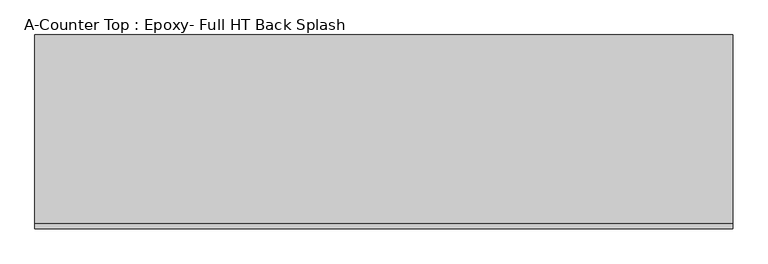
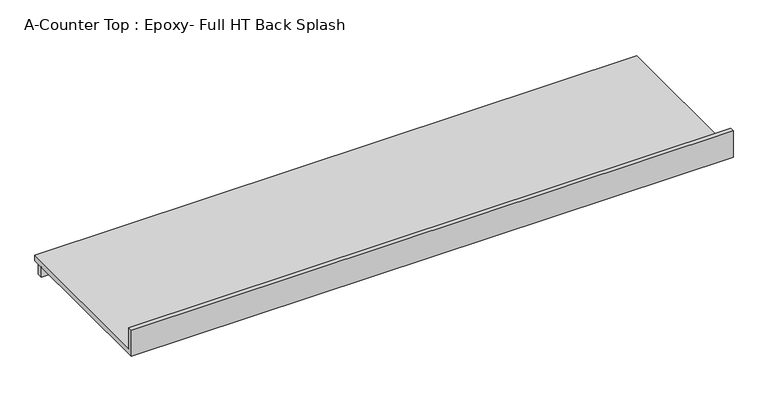
"""IFC4 building model written with IfcOpenShell, lengths in millimetres: furniture geometry, A-Counter Top : Epoxy- Full HT Back Splash."""

from ifc_helpers import new_model, si_unit, frame, origin, place, context, project, spatial, polyline, outline, extrude, source, transform, mapped, element, save


def a_counter_top_epoxy_full_ht_back_splash_abb3e2f1(model_context):
    return source(origin(), model_context, "Body", "SweptSolid", [
        extrude(outline(polyline([(0.0, 1041.4), (19.05, 1041.4), (19.05, 939.8), (762.0, 939.8), (762.0, 914.4), (0.0, 914.4), (0.0, 1041.4)])), frame((-1327.4622951, 0.0, 0.0), z_axis=(1.0, 0.0, 0.0), x_axis=(0.0, 1.0, 0.0)), (0.0, 0.0, 1.0), 2743.2),
        extrude(outline(polyline([(1415.7377049, 711.2), (-1327.4622951, 711.2), (-1327.4622951, 736.6), (1415.7377049, 736.6), (1415.7377049, 711.2)])), frame((0.0, 0.0, 863.6), z_axis=(0.0, 0.0, 1.0), x_axis=(1.0, 0.0, 0.0)), (0.0, 0.0, 1.0), 50.8),
    ])


if __name__ == "__main__":
    model = new_model("IFC4")
    model_context = context("Model", 3, world=origin())
    ifc_project = project(units=[si_unit("LENGTHUNIT", "METRE", prefix="MILLI")], contexts=[model_context])
    site = spatial("IfcSite", under=ifc_project)
    building = spatial("IfcBuilding", under=site)
    placement = place(None, origin())
    a_counter_top_epoxy_full_ht_back_splash_shape = a_counter_top_epoxy_full_ht_back_splash_abb3e2f1(model_context)
    element("IfcFurniture", 1, ObjectType="A-Counter Top : Epoxy- Full HT Back Splash", at=placement, inside=building, context=model_context, shape_type="MappedRepresentation", body=[
        mapped(a_counter_top_epoxy_full_ht_back_splash_shape, transform((0.0, 0.0, 0.0), x_axis=(1.0, 0.0, 0.0), y_axis=(0.0, 1.0, 0.0), z_axis=(0.0, 0.0, 1.0))),
    ])
    save(model, "model.ifc")
